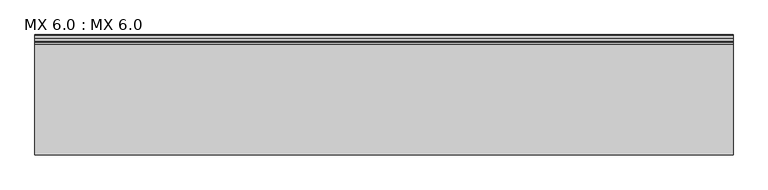
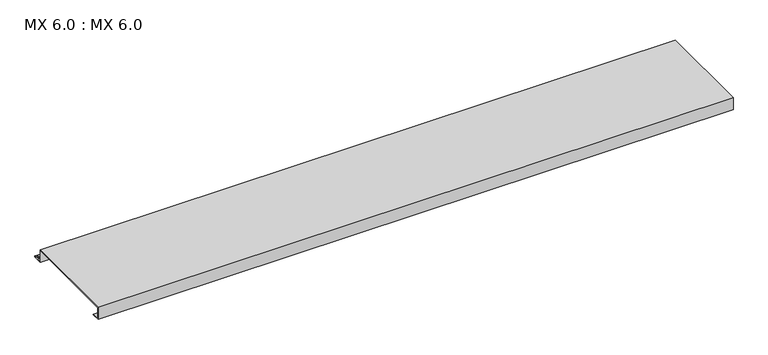
"""IFC4 building model written with IfcOpenShell, lengths in millimetres: proxy geometry, MX 6.0 : MX 6.0."""

from ifc_helpers import new_model, si_unit, point, frame, frame_2d, origin, place, context, project, spatial, polyline, circle_curve, trimmed, segment, composite_curve, outline, extrude, source, transform, mapped, element, save


def mx_6_0_mx_6_0_62f40bc3(model_context):
    return source(origin(), model_context, "Body", "SweptSolid", [
        extrude(outline(composite_curve([segment(polyline([(0.0, 0.0), (0.0, 38.0), (300.0, 38.0), (300.0, 0.0), (325.0510156, 0.0)]), True, "CONTINUOUS"), segment(trimmed(circle_curve(frame_2d((324.3094696, 1.9153551)), 2.0538928), [point((325.0510156, 0.0))], [point((325.1748462, 3.778041))], True, "CARTESIAN"), True, "CONTINUOUS"), segment(polyline([(325.1748462, 3.778041), (308.7874714, 6.923107)]), True, "CONTINUOUS"), segment(trimmed(circle_curve(frame_2d((309.4078886, 8.6005442)), 1.7884947), [point((308.7874714, 6.923107))], [point((308.9525789, 10.3301125))], False, "CARTESIAN"), True, "CONTINUOUS"), segment(polyline([(308.9525789, 10.3301125), (316.459338, 11.6715995), (316.635255, 10.6871945), (309.1762081, 9.3542338)]), True, "CONTINUOUS"), segment(trimmed(circle_curve(frame_2d((309.4078886, 8.6005442)), 0.7884947), [point((309.1762081, 9.3542338))], [point((309.0735117, 7.8864603))], True, "CARTESIAN"), True, "CONTINUOUS"), segment(polyline([(309.0735117, 7.8864603), (325.4722719, 4.7392091)]), True, "CONTINUOUS"), segment(trimmed(circle_curve(frame_2d((324.3094696, 1.9153551)), 3.0538928), [point((325.4722719, 4.7392091))], [point((325.2188462, -1.0))], False, "CARTESIAN"), True, "CONTINUOUS"), segment(polyline([(325.2188462, -1.0), (299.0, -1.0), (299.0, 37.0), (1.0, 37.0), (1.0, 1.0), (25.0, 1.0), (25.0, 0.0), (0.0, 0.0)]), True, "CONTINUOUS")], self_intersect=False)), frame((0.0, 0.0, 0.0), z_axis=(1.0, 0.0, 0.0), x_axis=(0.0, 1.0, 0.0)), (0.0, 0.0, 1.0), 1900.0),
    ])


if __name__ == "__main__":
    model = new_model("IFC4")
    model_context = context("Model", 3, world=origin())
    ifc_project = project(units=[si_unit("LENGTHUNIT", "METRE", prefix="MILLI")], contexts=[model_context])
    site = spatial("IfcSite", under=ifc_project)
    building = spatial("IfcBuilding", under=site)
    placement = place(None, origin())
    mx_6_0_mx_6_0_shape = mx_6_0_mx_6_0_62f40bc3(model_context)
    element("IfcBuildingElementProxy", 1, Name="MX 6.0 : MX 6.0", ObjectType="MX 6.0 : MX 6.0", at=placement, inside=building, context=model_context, shape_type="MappedRepresentation", body=[
        mapped(mx_6_0_mx_6_0_shape, transform((0.0, 0.0, 0.0), x_axis=(1.0, 0.0, 0.0), y_axis=(0.0, 1.0, 0.0), z_axis=(0.0, 0.0, 1.0))),
    ])
    save(model, "model.ifc")
